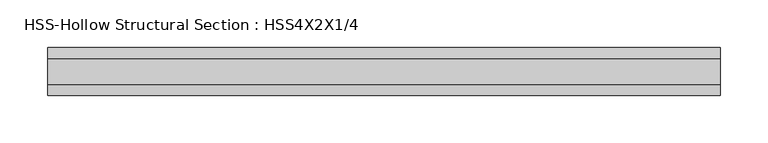
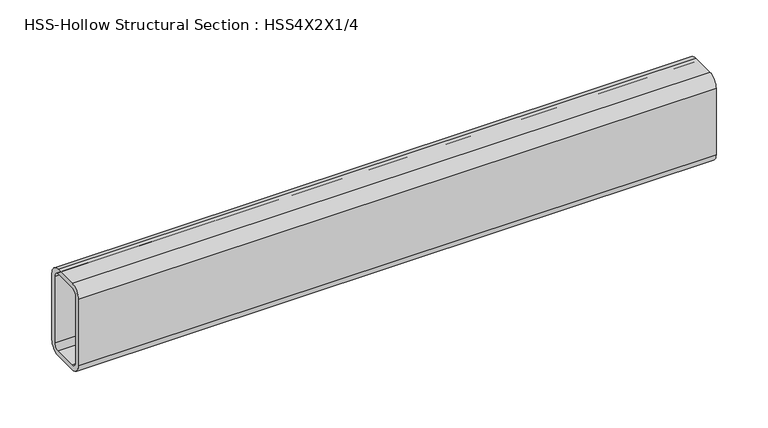
"""IFC4 building model written with IfcOpenShell, lengths in millimetres: beam geometry, HSS-Hollow Structural Section : HSS4X2X1/4."""

from ifc_helpers import new_model, si_unit, point, frame, frame_2d, origin, place, context, project, spatial, polyline, circle_curve, trimmed, segment, composite_curve, outline, extrude, source, transform, mapped, element, save


def hss_hollow_structural_section_hss4x2x1_4_142adce0(model_context):
    return source(origin(), model_context, "Body", "SweptSolid", [
        extrude(outline(composite_curve([segment(polyline([(25.4, 38.9636), (25.4, -38.9636)]), True, "CONTINUOUS"), segment(trimmed(circle_curve(frame_2d((13.5636, -38.9636)), 11.8364), [point((25.4, -38.9636))], [point((13.5636, -50.8))], False, "CARTESIAN"), True, "CONTINUOUS"), segment(polyline([(13.5636, -50.8), (-13.5636, -50.8)]), True, "CONTINUOUS"), segment(trimmed(circle_curve(frame_2d((-13.5636, -38.9636)), 11.8364), [point((-13.5636, -50.8))], [point((-25.4, -38.9636))], False, "CARTESIAN"), True, "CONTINUOUS"), segment(polyline([(-25.4, -38.9636), (-25.4, 38.9636)]), True, "CONTINUOUS"), segment(trimmed(circle_curve(frame_2d((-13.5636, 38.9636)), 11.8364), [point((-25.4, 38.9636))], [point((-13.5636, 50.8))], False, "CARTESIAN"), True, "CONTINUOUS"), segment(polyline([(-13.5636, 50.8), (13.5636, 50.8)]), True, "CONTINUOUS"), segment(trimmed(circle_curve(frame_2d((13.5636, 38.9636)), 11.8364), [point((13.5636, 50.8))], [point((25.4, 38.9636))], False, "CARTESIAN"), True, "CONTINUOUS")], self_intersect=False), holes=[composite_curve([segment(trimmed(circle_curve(frame_2d((-13.5636, 38.9636)), 5.9182), [point((-13.5636, 44.8818))], [point((-19.4818, 38.9636))], True, "CARTESIAN"), True, "CONTINUOUS"), segment(polyline([(-19.4818, 38.9636), (-19.4818, -38.9636)]), True, "CONTINUOUS"), segment(trimmed(circle_curve(frame_2d((-13.5636, -38.9636)), 5.9182), [point((-19.4818, -38.9636))], [point((-13.5636, -44.8818))], True, "CARTESIAN"), True, "CONTINUOUS"), segment(polyline([(-13.5636, -44.8818), (13.5636, -44.8818)]), True, "CONTINUOUS"), segment(trimmed(circle_curve(frame_2d((13.5636, -38.9636)), 5.9182), [point((13.5636, -44.8818))], [point((19.4818, -38.9636))], True, "CARTESIAN"), True, "CONTINUOUS"), segment(polyline([(19.4818, -38.9636), (19.4818, 38.9636)]), True, "CONTINUOUS"), segment(trimmed(circle_curve(frame_2d((13.5636, 38.9636)), 5.9182), [point((19.4818, 38.9636))], [point((13.5636, 44.8818))], True, "CARTESIAN"), True, "CONTINUOUS"), segment(polyline([(13.5636, 44.8818), (-13.5636, 44.8818)]), True, "CONTINUOUS")], self_intersect=False)]), frame((-366.84077, 0.0, 0.0), z_axis=(1.0, 0.0, 0.0), x_axis=(0.0, 1.0, 0.0)), (0.0, 0.0, 1.0), 708.28154),
    ])


if __name__ == "__main__":
    model = new_model("IFC4")
    model_context = context("Model", 3, world=origin())
    ifc_project = project(units=[si_unit("LENGTHUNIT", "METRE", prefix="MILLI")], contexts=[model_context])
    site = spatial("IfcSite", under=ifc_project)
    building = spatial("IfcBuilding", under=site)
    placement = place(None, origin())
    hss_hollow_structural_section_hss4x2x1_4_shape = hss_hollow_structural_section_hss4x2x1_4_142adce0(model_context)
    element("IfcBeam", 1, ObjectType="HSS-Hollow Structural Section : HSS4X2X1/4", at=placement, inside=building, context=model_context, shape_type="MappedRepresentation", body=[
        mapped(hss_hollow_structural_section_hss4x2x1_4_shape, transform((0.0, 0.0, 0.0), x_axis=(1.0, 0.0, 0.0), y_axis=(0.0, 1.0, 0.0), z_axis=(0.0, 0.0, 1.0))),
    ])
    save(model, "model.ifc")
